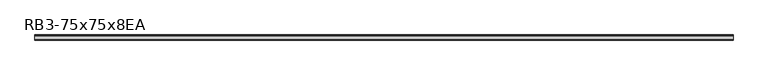
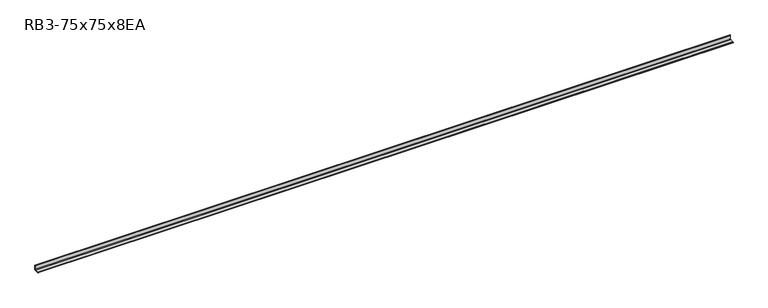
"""IFC4 building model written with IfcOpenShell, lengths in millimetres: member geometry, RB3-75x75x8EA."""

from ifc_helpers import new_model, si_unit, point, frame, frame_2d, origin, place, context, project, spatial, polyline, circle_curve, trimmed, segment, composite_curve, outline, extrude, source, transform, mapped, element, save


def rb3_75x75x8ea_d59f7ad5(model_context):
    return source(origin(), model_context, "Body", "SweptSolid", [
        extrude(outline(composite_curve([segment(polyline([(21.3, -21.3), (-53.7, -21.3), (-53.7, -18.3)]), True, "CONTINUOUS"), segment(trimmed(circle_curve(frame_2d((-48.7, -18.3)), 5.0), [point((-53.7, -18.3))], [point((-48.7, -13.3))], False, "CARTESIAN"), True, "CONTINUOUS"), segment(polyline([(-48.7, -13.3), (5.3, -13.3)]), True, "CONTINUOUS"), segment(trimmed(circle_curve(frame_2d((5.3, -5.3)), 8.0), [point((5.3, -13.3))], [point((13.3, -5.3))], True, "CARTESIAN"), True, "CONTINUOUS"), segment(polyline([(13.3, -5.3), (13.3, 48.7)]), True, "CONTINUOUS"), segment(trimmed(circle_curve(frame_2d((18.3, 48.7)), 5.0), [point((13.3, 48.7))], [point((18.3, 53.7))], False, "CARTESIAN"), True, "CONTINUOUS"), segment(polyline([(18.3, 53.7), (21.3, 53.7), (21.3, -21.3)]), True, "CONTINUOUS")], self_intersect=False)), frame((-5048.5, 0.0, 0.0), z_axis=(1.0, 0.0, 0.0), x_axis=(0.0, 1.0, 0.0)), (0.0, 0.0, 1.0), 10202.0),
    ])


if __name__ == "__main__":
    model = new_model("IFC4")
    model_context = context("Model", 3, world=origin())
    ifc_project = project(units=[si_unit("LENGTHUNIT", "METRE", prefix="MILLI")], contexts=[model_context])
    site = spatial("IfcSite", under=ifc_project)
    building = spatial("IfcBuilding", under=site)
    placement = place(None, origin())
    rb3_75x75x8ea_shape = rb3_75x75x8ea_d59f7ad5(model_context)
    element("IfcMember", 1, ObjectType="RB3-75x75x8EA", at=placement, inside=building, context=model_context, shape_type="MappedRepresentation", body=[
        mapped(rb3_75x75x8ea_shape, transform((0.0, 0.0, 0.0), x_axis=(1.0, 0.0, 0.0), y_axis=(0.0, 1.0, 0.0), z_axis=(0.0, 0.0, 1.0))),
    ])
    save(model, "model.ifc")
